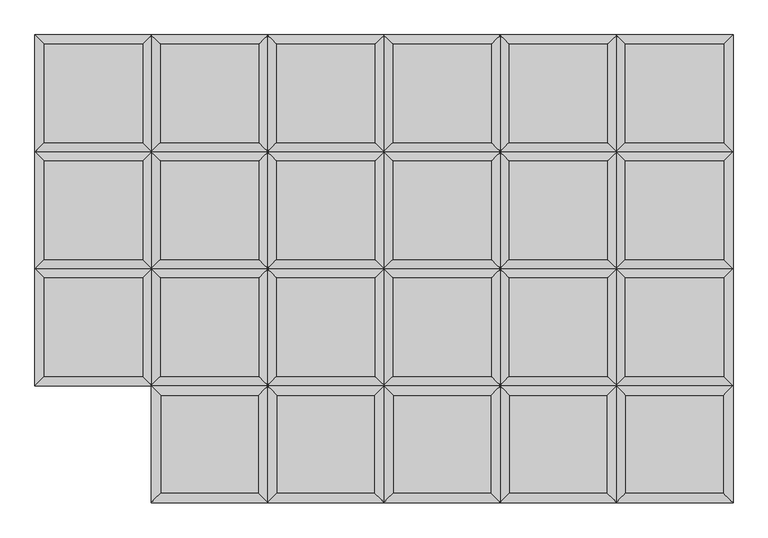
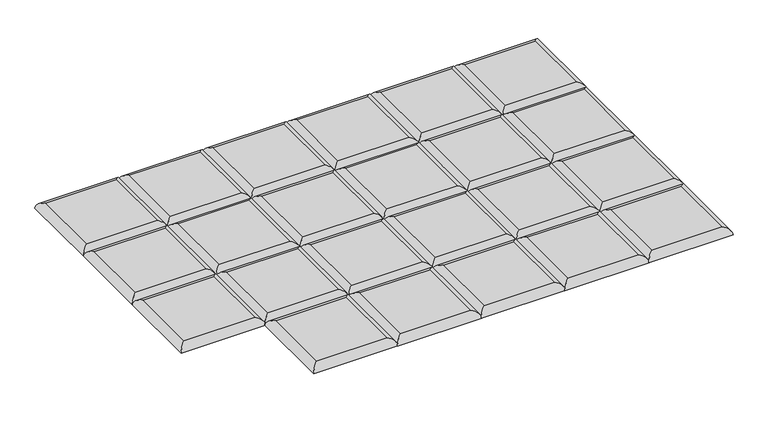
"""IFC4 building model written with IfcOpenShell, lengths in millimetres: furniture geometry."""

from ifc_helpers import new_model, si_unit, frame, origin, place, context, project, spatial, ellipse_curve, source, transform, mapped, element, save
from ifc_brep_helpers import plane_surface, cylinder_surface, advanced_brep


def furniture_b75a892f(model_context):
    return source(origin(), model_context, "Body", "AdvancedBrep", [
        advanced_brep(
        [(755.1519878, -204.2894878, 411.6605122), (755.1519878, -17.9605122, 411.6605122), (568.8230122, -17.9605122, 411.6605122), (568.8230122, -204.2894878, 411.6605122), (773.1125, 0.0, 393.7), (773.1125, -222.25, 393.7), (550.8625, -222.25, 393.7), (550.8625, 0.0, 393.7)],
        [
            (0, 1),
            (1, 2),
            (2, 3),
            (3, 0),
            (4, 5),
            (5, 6),
            (6, 7),
            (7, 4),
            (4, 1, ellipse_curve(frame((755.1519878, -17.9605122, 393.7), z_axis=(0.7071067811865475, -0.7071067811865475, 0.0), x_axis=(0.7071067811865474, 0.7071067811865476, 0.0)), 25.4, 17.9605122)),
            (0, 5, ellipse_curve(frame((755.1519878, -204.2894878, 393.7), z_axis=(0.7071067811865475, 0.7071067811865475, 0.0), x_axis=(-0.7071067811865474, 0.7071067811865476, 0.0)), 25.4, 17.9605122)),
            (3, 6, ellipse_curve(frame((568.8230122, -204.2894878, 393.7), z_axis=(0.7071067811865475, -0.7071067811865475, 0.0), x_axis=(0.7071067811865476, 0.7071067811865474, 0.0)), 25.4, 17.9605122)),
            (2, 7, ellipse_curve(frame((568.8230122, -17.9605122, 393.7), z_axis=(-0.7071067811865475, -0.7071067811865475, 0.0), x_axis=(0.7071067811865474, -0.7071067811865476, 0.0)), 25.4, 17.9605122)),
        ],
        [
            plane_surface(frame((568.8230122, -17.9605122, 411.6605122), z_axis=(0.0, 0.0, 1.0), x_axis=(-1.0, 0.0, 0.0))),
            plane_surface(frame((568.8230122, -17.9605122, 393.7), z_axis=(0.0, 0.0, -1.0), x_axis=(1.0, 0.0, 0.0))),
            cylinder_surface(frame((755.1519878, 0.0, 393.7), z_axis=(0.0, 1.0, 0.0), x_axis=(1.0, 0.0, 0.0)), 17.9605122),
            cylinder_surface(frame((773.1125, -204.2894878, 393.7), z_axis=(1.0, 0.0, 0.0), x_axis=(0.0, -1.0, 0.0)), 17.9605122),
            cylinder_surface(frame((568.8230122, -222.25, 393.7), z_axis=(0.0, -1.0, 0.0), x_axis=(-1.0, 0.0, 0.0)), 17.9605122),
            cylinder_surface(frame((550.8625, -17.9605122, 393.7), z_axis=(-1.0, 0.0, 0.0), x_axis=(0.0, 1.0, 0.0)), 17.9605122),
        ],
        [
            (0, [[1, 2, 3, 4]]),
            (1, [[5, 6, 7, 8]]),
            (2, [[9, -1, 10, -5]]),
            (3, [[-10, -4, 11, -6]]),
            (4, [[-11, -3, 12, -7]]),
            (5, [[-9, -8, -12, -2]]),
        ],
    ),
        advanced_brep(
        [(755.1519878, 17.9605122, 411.6605122), (755.1519878, 204.2894878, 411.6605122), (568.8230122, 204.2894878, 411.6605122), (568.8230122, 17.9605122, 411.6605122), (773.1125, 222.25, 393.7), (773.1125, 0.0, 393.7), (550.8625, 0.0, 393.7), (550.8625, 222.25, 393.7)],
        [
            (0, 1),
            (1, 2),
            (2, 3),
            (3, 0),
            (4, 5),
            (5, 6),
            (6, 7),
            (7, 4),
            (4, 1, ellipse_curve(frame((755.1519878, 204.2894878, 393.7), z_axis=(0.7071067811865475, -0.7071067811865475, 0.0), x_axis=(0.7071067811865474, 0.7071067811865476, 0.0)), 25.4, 17.9605122)),
            (0, 5, ellipse_curve(frame((755.1519878, 17.9605122, 393.7), z_axis=(0.7071067811865475, 0.7071067811865475, 0.0), x_axis=(-0.7071067811865474, 0.7071067811865476, 0.0)), 25.4, 17.9605122)),
            (3, 6, ellipse_curve(frame((568.8230122, 17.9605122, 393.7), z_axis=(0.7071067811865475, -0.7071067811865475, 0.0), x_axis=(0.7071067811865476, 0.7071067811865474, 0.0)), 25.4, 17.9605122)),
            (2, 7, ellipse_curve(frame((568.8230122, 204.2894878, 393.7), z_axis=(-0.7071067811865475, -0.7071067811865475, 0.0), x_axis=(0.7071067811865474, -0.7071067811865476, 0.0)), 25.4, 17.9605122)),
        ],
        [
            plane_surface(frame((568.8230122, 204.2894878, 411.6605122), z_axis=(0.0, 0.0, 1.0), x_axis=(-1.0, 0.0, 0.0))),
            plane_surface(frame((568.8230122, 204.2894878, 393.7), z_axis=(0.0, 0.0, -1.0), x_axis=(1.0, 0.0, 0.0))),
            cylinder_surface(frame((755.1519878, 222.25, 393.7), z_axis=(0.0, 1.0, 0.0), x_axis=(1.0, 0.0, 0.0)), 17.9605122),
            cylinder_surface(frame((773.1125, 17.9605122, 393.7), z_axis=(1.0, 0.0, 0.0), x_axis=(0.0, -1.0, 0.0)), 17.9605122),
            cylinder_surface(frame((568.8230122, 0.0, 393.7), z_axis=(0.0, -1.0, 0.0), x_axis=(-1.0, 0.0, 0.0)), 17.9605122),
            cylinder_surface(frame((550.8625, 204.2894878, 393.7), z_axis=(-1.0, 0.0, 0.0), x_axis=(0.0, 1.0, 0.0)), 17.9605122),
        ],
        [
            (0, [[1, 2, 3, 4]]),
            (1, [[5, 6, 7, 8]]),
            (2, [[9, -1, 10, -5]]),
            (3, [[-10, -4, 11, -6]]),
            (4, [[-11, -3, 12, -7]]),
            (5, [[-9, -8, -12, -2]]),
        ],
    ),
        advanced_brep(
        [(755.1519878, 240.2105122, 411.6605122), (755.1519878, 426.5394878, 411.6605122), (568.8230122, 426.5394878, 411.6605122), (568.8230122, 240.2105122, 411.6605122), (773.1125, 444.5, 393.7), (773.1125, 222.25, 393.7), (550.8625, 222.25, 393.7), (550.8625, 444.5, 393.7)],
        [
            (0, 1),
            (1, 2),
            (2, 3),
            (3, 0),
            (4, 5),
            (5, 6),
            (6, 7),
            (7, 4),
            (4, 1, ellipse_curve(frame((755.1519878, 426.5394878, 393.7), z_axis=(0.7071067811865475, -0.7071067811865475, 0.0), x_axis=(0.7071067811865474, 0.7071067811865476, 0.0)), 25.4, 17.9605122)),
            (0, 5, ellipse_curve(frame((755.1519878, 240.2105122, 393.7), z_axis=(0.7071067811865475, 0.7071067811865475, 0.0), x_axis=(-0.7071067811865474, 0.7071067811865476, 0.0)), 25.4, 17.9605122)),
            (3, 6, ellipse_curve(frame((568.8230122, 240.2105122, 393.7), z_axis=(0.7071067811865475, -0.7071067811865475, 0.0), x_axis=(0.7071067811865476, 0.7071067811865474, 0.0)), 25.4, 17.9605122)),
            (2, 7, ellipse_curve(frame((568.8230122, 426.5394878, 393.7), z_axis=(-0.7071067811865475, -0.7071067811865475, 0.0), x_axis=(0.7071067811865474, -0.7071067811865476, 0.0)), 25.4, 17.9605122)),
        ],
        [
            plane_surface(frame((568.8230122, 426.5394878, 411.6605122), z_axis=(0.0, 0.0, 1.0), x_axis=(-1.0, 0.0, 0.0))),
            plane_surface(frame((568.8230122, 426.5394878, 393.7), z_axis=(0.0, 0.0, -1.0), x_axis=(1.0, 0.0, 0.0))),
            cylinder_surface(frame((755.1519878, 444.5, 393.7), z_axis=(0.0, 1.0, 0.0), x_axis=(1.0, 0.0, 0.0)), 17.9605122),
            cylinder_surface(frame((773.1125, 240.2105122, 393.7), z_axis=(1.0, 0.0, 0.0), x_axis=(0.0, -1.0, 0.0)), 17.9605122),
            cylinder_surface(frame((568.8230122, 222.25, 393.7), z_axis=(0.0, -1.0, 0.0), x_axis=(-1.0, 0.0, 0.0)), 17.9605122),
            cylinder_surface(frame((550.8625, 426.5394878, 393.7), z_axis=(-1.0, 0.0, 0.0), x_axis=(0.0, 1.0, 0.0)), 17.9605122),
        ],
        [
            (0, [[1, 2, 3, 4]]),
            (1, [[5, 6, 7, 8]]),
            (2, [[9, -1, 10, -5]]),
            (3, [[-10, -4, 11, -6]]),
            (4, [[-11, -3, 12, -7]]),
            (5, [[-9, -8, -12, -2]]),
        ],
    ),
        advanced_brep(
        [(773.1125, -222.25, 393.7), (755.1519878, -240.2105122, 411.6605122), (755.1519878, -426.5394878, 411.6605122), (773.1125, -444.5, 393.7), (568.8230122, -426.5394878, 411.6605122), (550.8625, -444.5, 393.7), (568.8230122, -240.2105122, 411.6605122), (550.8625, -222.25, 393.7)],
        [
            (0, 1, ellipse_curve(frame((755.1519878, -240.2105122, 393.7), z_axis=(0.7071067811865475, -0.7071067811865475, 0.0), x_axis=(0.7071067811865474, 0.7071067811865476, 0.0)), 25.4, 17.9605122)),
            (1, 2),
            (2, 3, ellipse_curve(frame((755.1519878, -426.5394878, 393.7), z_axis=(0.7071067811865475, 0.7071067811865475, 0.0), x_axis=(-0.7071067811865474, 0.7071067811865476, 0.0)), 25.4, 17.9605122)),
            (3, 0),
            (2, 4),
            (4, 5, ellipse_curve(frame((568.8230122, -426.5394878, 393.7), z_axis=(0.7071067811865475, -0.7071067811865475, 0.0), x_axis=(0.7071067811865476, 0.7071067811865474, 0.0)), 25.4, 17.9605122)),
            (5, 3),
            (4, 6),
            (6, 7, ellipse_curve(frame((568.8230122, -240.2105122, 393.7), z_axis=(-0.7071067811865475, -0.7071067811865475, 0.0), x_axis=(0.7071067811865474, -0.7071067811865476, 0.0)), 25.4, 17.9605122)),
            (7, 5),
            (0, 7),
            (6, 1),
        ],
        [
            cylinder_surface(frame((755.1519878, -222.25, 393.7), z_axis=(0.0, 1.0, 0.0), x_axis=(1.0, 0.0, 0.0)), 17.9605122),
            cylinder_surface(frame((773.1125, -426.5394878, 393.7), z_axis=(1.0, 0.0, 0.0), x_axis=(0.0, -1.0, 0.0)), 17.9605122),
            cylinder_surface(frame((568.8230122, -444.5, 393.7), z_axis=(0.0, -1.0, 0.0), x_axis=(-1.0, 0.0, 0.0)), 17.9605122),
            cylinder_surface(frame((550.8625, -240.2105122, 393.7), z_axis=(-1.0, 0.0, 0.0), x_axis=(0.0, 1.0, 0.0)), 17.9605122),
            plane_surface(frame((550.8625, -222.25, 393.7), z_axis=(0.0, 0.0, -1.0), x_axis=(1.0, 0.0, 0.0))),
            plane_surface(frame((568.8230122, -240.2105122, 411.6605122), z_axis=(0.0, 0.0, 1.0), x_axis=(-1.0, 0.0, 0.0))),
        ],
        [
            (0, [[1, 2, 3, 4]]),
            (1, [[-3, 5, 6, 7]]),
            (2, [[-6, 8, 9, 10]]),
            (3, [[-1, 11, -9, 12]]),
            (4, [[-4, -7, -10, -11]]),
            (5, [[-2, -12, -8, -5]]),
        ],
    ),
        advanced_brep(
        [(534.4894878, -204.2894878, 411.6605122), (534.4894878, -17.9605122, 411.6605122), (348.1605122, -17.9605122, 411.6605122), (348.1605122, -204.2894878, 411.6605122), (552.45, 0.0, 393.7), (552.45, -222.25, 393.7), (330.2, -222.25, 393.7), (330.2, 0.0, 393.7)],
        [
            (0, 1),
            (1, 2),
            (2, 3),
            (3, 0),
            (4, 5),
            (5, 6),
            (6, 7),
            (7, 4),
            (4, 1, ellipse_curve(frame((534.4894878, -17.9605122, 393.7), z_axis=(0.7071067811865475, -0.7071067811865475, 0.0), x_axis=(0.7071067811865474, 0.7071067811865476, 0.0)), 25.4, 17.9605122)),
            (0, 5, ellipse_curve(frame((534.4894878, -204.2894878, 393.7), z_axis=(0.7071067811865475, 0.7071067811865475, 0.0), x_axis=(-0.7071067811865474, 0.7071067811865476, 0.0)), 25.4, 17.9605122)),
            (3, 6, ellipse_curve(frame((348.1605122, -204.2894878, 393.7), z_axis=(0.7071067811865475, -0.7071067811865475, 0.0), x_axis=(0.7071067811865476, 0.7071067811865474, 0.0)), 25.4, 17.9605122)),
            (2, 7, ellipse_curve(frame((348.1605122, -17.9605122, 393.7), z_axis=(-0.7071067811865475, -0.7071067811865475, 0.0), x_axis=(0.7071067811865474, -0.7071067811865476, 0.0)), 25.4, 17.9605122)),
        ],
        [
            plane_surface(frame((348.1605122, -17.9605122, 411.6605122), z_axis=(0.0, 0.0, 1.0), x_axis=(-1.0, 0.0, 0.0))),
            plane_surface(frame((348.1605122, -17.9605122, 393.7), z_axis=(0.0, 0.0, -1.0), x_axis=(1.0, 0.0, 0.0))),
            cylinder_surface(frame((534.4894878, 0.0, 393.7), z_axis=(0.0, 1.0, 0.0), x_axis=(1.0, 0.0, 0.0)), 17.9605122),
            cylinder_surface(frame((552.45, -204.2894878, 393.7), z_axis=(1.0, 0.0, 0.0), x_axis=(0.0, -1.0, 0.0)), 17.9605122),
            cylinder_surface(frame((348.1605122, -222.25, 393.7), z_axis=(0.0, -1.0, 0.0), x_axis=(-1.0, 0.0, 0.0)), 17.9605122),
            cylinder_surface(frame((330.2, -17.9605122, 393.7), z_axis=(-1.0, 0.0, 0.0), x_axis=(0.0, 1.0, 0.0)), 17.9605122),
        ],
        [
            (0, [[1, 2, 3, 4]]),
            (1, [[5, 6, 7, 8]]),
            (2, [[9, -1, 10, -5]]),
            (3, [[-10, -4, 11, -6]]),
            (4, [[-11, -3, 12, -7]]),
            (5, [[-9, -8, -12, -2]]),
        ],
    ),
        advanced_brep(
        [(534.4894878, 17.9605122, 411.6605122), (534.4894878, 204.2894878, 411.6605122), (348.1605122, 204.2894878, 411.6605122), (348.1605122, 17.9605122, 411.6605122), (552.45, 222.25, 393.7), (552.45, 0.0, 393.7), (330.2, 0.0, 393.7), (330.2, 222.25, 393.7)],
        [
            (0, 1),
            (1, 2),
            (2, 3),
            (3, 0),
            (4, 5),
            (5, 6),
            (6, 7),
            (7, 4),
            (4, 1, ellipse_curve(frame((534.4894878, 204.2894878, 393.7), z_axis=(0.7071067811865475, -0.7071067811865475, 0.0), x_axis=(0.7071067811865474, 0.7071067811865476, 0.0)), 25.4, 17.9605122)),
            (0, 5, ellipse_curve(frame((534.4894878, 17.9605122, 393.7), z_axis=(0.7071067811865475, 0.7071067811865475, 0.0), x_axis=(-0.7071067811865474, 0.7071067811865476, 0.0)), 25.4, 17.9605122)),
            (3, 6, ellipse_curve(frame((348.1605122, 17.9605122, 393.7), z_axis=(0.7071067811865475, -0.7071067811865475, 0.0), x_axis=(0.7071067811865476, 0.7071067811865474, 0.0)), 25.4, 17.9605122)),
            (2, 7, ellipse_curve(frame((348.1605122, 204.2894878, 393.7), z_axis=(-0.7071067811865475, -0.7071067811865475, 0.0), x_axis=(0.7071067811865474, -0.7071067811865476, 0.0)), 25.4, 17.9605122)),
        ],
        [
            plane_surface(frame((348.1605122, 204.2894878, 411.6605122), z_axis=(0.0, 0.0, 1.0), x_axis=(-1.0, 0.0, 0.0))),
            plane_surface(frame((348.1605122, 204.2894878, 393.7), z_axis=(0.0, 0.0, -1.0), x_axis=(1.0, 0.0, 0.0))),
            cylinder_surface(frame((534.4894878, 222.25, 393.7), z_axis=(0.0, 1.0, 0.0), x_axis=(1.0, 0.0, 0.0)), 17.9605122),
            cylinder_surface(frame((552.45, 17.9605122, 393.7), z_axis=(1.0, 0.0, 0.0), x_axis=(0.0, -1.0, 0.0)), 17.9605122),
            cylinder_surface(frame((348.1605122, 0.0, 393.7), z_axis=(0.0, -1.0, 0.0), x_axis=(-1.0, 0.0, 0.0)), 17.9605122),
            cylinder_surface(frame((330.2, 204.2894878, 393.7), z_axis=(-1.0, 0.0, 0.0), x_axis=(0.0, 1.0, 0.0)), 17.9605122),
        ],
        [
            (0, [[1, 2, 3, 4]]),
            (1, [[5, 6, 7, 8]]),
            (2, [[9, -1, 10, -5]]),
            (3, [[-10, -4, 11, -6]]),
            (4, [[-11, -3, 12, -7]]),
            (5, [[-9, -8, -12, -2]]),
        ],
    ),
        advanced_brep(
        [(534.4894878, 240.2105122, 411.6605122), (534.4894878, 426.5394878, 411.6605122), (348.1605122, 426.5394878, 411.6605122), (348.1605122, 240.2105122, 411.6605122), (552.45, 444.5, 393.7), (552.45, 222.25, 393.7), (330.2, 222.25, 393.7), (330.2, 444.5, 393.7)],
        [
            (0, 1),
            (1, 2),
            (2, 3),
            (3, 0),
            (4, 5),
            (5, 6),
            (6, 7),
            (7, 4),
            (4, 1, ellipse_curve(frame((534.4894878, 426.5394878, 393.7), z_axis=(0.7071067811865475, -0.7071067811865475, 0.0), x_axis=(0.7071067811865474, 0.7071067811865476, 0.0)), 25.4, 17.9605122)),
            (0, 5, ellipse_curve(frame((534.4894878, 240.2105122, 393.7), z_axis=(0.7071067811865475, 0.7071067811865475, 0.0), x_axis=(-0.7071067811865474, 0.7071067811865476, 0.0)), 25.4, 17.9605122)),
            (3, 6, ellipse_curve(frame((348.1605122, 240.2105122, 393.7), z_axis=(0.7071067811865475, -0.7071067811865475, 0.0), x_axis=(0.7071067811865476, 0.7071067811865474, 0.0)), 25.4, 17.9605122)),
            (2, 7, ellipse_curve(frame((348.1605122, 426.5394878, 393.7), z_axis=(-0.7071067811865475, -0.7071067811865475, 0.0), x_axis=(0.7071067811865474, -0.7071067811865476, 0.0)), 25.4, 17.9605122)),
        ],
        [
            plane_surface(frame((348.1605122, 426.5394878, 411.6605122), z_axis=(0.0, 0.0, 1.0), x_axis=(-1.0, 0.0, 0.0))),
            plane_surface(frame((348.1605122, 426.5394878, 393.7), z_axis=(0.0, 0.0, -1.0), x_axis=(1.0, 0.0, 0.0))),
            cylinder_surface(frame((534.4894878, 444.5, 393.7), z_axis=(0.0, 1.0, 0.0), x_axis=(1.0, 0.0, 0.0)), 17.9605122),
            cylinder_surface(frame((552.45, 240.2105122, 393.7), z_axis=(1.0, 0.0, 0.0), x_axis=(0.0, -1.0, 0.0)), 17.9605122),
            cylinder_surface(frame((348.1605122, 222.25, 393.7), z_axis=(0.0, -1.0, 0.0), x_axis=(-1.0, 0.0, 0.0)), 17.9605122),
            cylinder_surface(frame((330.2, 426.5394878, 393.7), z_axis=(-1.0, 0.0, 0.0), x_axis=(0.0, 1.0, 0.0)), 17.9605122),
        ],
        [
            (0, [[1, 2, 3, 4]]),
            (1, [[5, 6, 7, 8]]),
            (2, [[9, -1, 10, -5]]),
            (3, [[-10, -4, 11, -6]]),
            (4, [[-11, -3, 12, -7]]),
            (5, [[-9, -8, -12, -2]]),
        ],
    ),
        advanced_brep(
        [(552.45, -222.25, 393.7), (534.4894878, -240.2105122, 411.6605122), (534.4894878, -426.5394878, 411.6605122), (552.45, -444.5, 393.7), (348.1605122, -426.5394878, 411.6605122), (330.2, -444.5, 393.7), (348.1605122, -240.2105122, 411.6605122), (330.2, -222.25, 393.7)],
        [
            (0, 1, ellipse_curve(frame((534.4894878, -240.2105122, 393.7), z_axis=(0.7071067811865475, -0.7071067811865475, 0.0), x_axis=(0.7071067811865474, 0.7071067811865476, 0.0)), 25.4, 17.9605122)),
            (1, 2),
            (2, 3, ellipse_curve(frame((534.4894878, -426.5394878, 393.7), z_axis=(0.7071067811865475, 0.7071067811865475, 0.0), x_axis=(-0.7071067811865474, 0.7071067811865476, 0.0)), 25.4, 17.9605122)),
            (3, 0),
            (2, 4),
            (4, 5, ellipse_curve(frame((348.1605122, -426.5394878, 393.7), z_axis=(0.7071067811865475, -0.7071067811865475, 0.0), x_axis=(0.7071067811865476, 0.7071067811865474, 0.0)), 25.4, 17.9605122)),
            (5, 3),
            (4, 6),
            (6, 7, ellipse_curve(frame((348.1605122, -240.2105122, 393.7), z_axis=(-0.7071067811865475, -0.7071067811865475, 0.0), x_axis=(0.7071067811865474, -0.7071067811865476, 0.0)), 25.4, 17.9605122)),
            (7, 5),
            (0, 7),
            (6, 1),
        ],
        [
            cylinder_surface(frame((534.4894878, -222.25, 393.7), z_axis=(0.0, 1.0, 0.0), x_axis=(1.0, 0.0, 0.0)), 17.9605122),
            cylinder_surface(frame((552.45, -426.5394878, 393.7), z_axis=(1.0, 0.0, 0.0), x_axis=(0.0, -1.0, 0.0)), 17.9605122),
            cylinder_surface(frame((348.1605122, -444.5, 393.7), z_axis=(0.0, -1.0, 0.0), x_axis=(-1.0, 0.0, 0.0)), 17.9605122),
            cylinder_surface(frame((330.2, -240.2105122, 393.7), z_axis=(-1.0, 0.0, 0.0), x_axis=(0.0, 1.0, 0.0)), 17.9605122),
            plane_surface(frame((330.2, -222.25, 393.7), z_axis=(0.0, 0.0, -1.0), x_axis=(1.0, 0.0, 0.0))),
            plane_surface(frame((348.1605122, -240.2105122, 411.6605122), z_axis=(0.0, 0.0, 1.0), x_axis=(-1.0, 0.0, 0.0))),
        ],
        [
            (0, [[1, 2, 3, 4]]),
            (1, [[-3, 5, 6, 7]]),
            (2, [[-6, 8, 9, 10]]),
            (3, [[-1, 11, -9, 12]]),
            (4, [[-4, -7, -10, -11]]),
            (5, [[-2, -12, -8, -5]]),
        ],
    ),
        advanced_brep(
        [(313.8269878, -204.2894878, 411.6605122), (313.8269878, -17.9605122, 411.6605122), (127.4980122, -17.9605122, 411.6605122), (127.4980122, -204.2894878, 411.6605122), (331.7875, 0.0, 393.7), (331.7875, -222.25, 393.7), (109.5375, -222.25, 393.7), (109.5375, 0.0, 393.7)],
        [
            (0, 1),
            (1, 2),
            (2, 3),
            (3, 0),
            (4, 5),
            (5, 6),
            (6, 7),
            (7, 4),
            (4, 1, ellipse_curve(frame((313.8269878, -17.9605122, 393.7), z_axis=(0.7071067811865475, -0.7071067811865475, 0.0), x_axis=(0.7071067811865474, 0.7071067811865476, 0.0)), 25.4, 17.9605122)),
            (0, 5, ellipse_curve(frame((313.8269878, -204.2894878, 393.7), z_axis=(0.7071067811865475, 0.7071067811865475, 0.0), x_axis=(-0.7071067811865474, 0.7071067811865476, 0.0)), 25.4, 17.9605122)),
            (3, 6, ellipse_curve(frame((127.4980122, -204.2894878, 393.7), z_axis=(0.7071067811865475, -0.7071067811865475, 0.0), x_axis=(0.7071067811865476, 0.7071067811865474, 0.0)), 25.4, 17.9605122)),
            (2, 7, ellipse_curve(frame((127.4980122, -17.9605122, 393.7), z_axis=(-0.7071067811865475, -0.7071067811865475, 0.0), x_axis=(0.7071067811865474, -0.7071067811865476, 0.0)), 25.4, 17.9605122)),
        ],
        [
            plane_surface(frame((127.4980122, -17.9605122, 411.6605122), z_axis=(0.0, 0.0, 1.0), x_axis=(-1.0, 0.0, 0.0))),
            plane_surface(frame((127.4980122, -17.9605122, 393.7), z_axis=(0.0, 0.0, -1.0), x_axis=(1.0, 0.0, 0.0))),
            cylinder_surface(frame((313.8269878, 0.0, 393.7), z_axis=(0.0, 1.0, 0.0), x_axis=(1.0, 0.0, 0.0)), 17.9605122),
            cylinder_surface(frame((331.7875, -204.2894878, 393.7), z_axis=(1.0, 0.0, 0.0), x_axis=(0.0, -1.0, 0.0)), 17.9605122),
            cylinder_surface(frame((127.4980122, -222.25, 393.7), z_axis=(0.0, -1.0, 0.0), x_axis=(-1.0, 0.0, 0.0)), 17.9605122),
            cylinder_surface(frame((109.5375, -17.9605122, 393.7), z_axis=(-1.0, 0.0, 0.0), x_axis=(0.0, 1.0, 0.0)), 17.9605122),
        ],
        [
            (0, [[1, 2, 3, 4]]),
            (1, [[5, 6, 7, 8]]),
            (2, [[9, -1, 10, -5]]),
            (3, [[-10, -4, 11, -6]]),
            (4, [[-11, -3, 12, -7]]),
            (5, [[-9, -8, -12, -2]]),
        ],
    ),
        advanced_brep(
        [(313.8269878, 17.9605122, 411.6605122), (313.8269878, 204.2894878, 411.6605122), (127.4980122, 204.2894878, 411.6605122), (127.4980122, 17.9605122, 411.6605122), (331.7875, 222.25, 393.7), (331.7875, 0.0, 393.7), (109.5375, 0.0, 393.7), (109.5375, 222.25, 393.7)],
        [
            (0, 1),
            (1, 2),
            (2, 3),
            (3, 0),
            (4, 5),
            (5, 6),
            (6, 7),
            (7, 4),
            (4, 1, ellipse_curve(frame((313.8269878, 204.2894878, 393.7), z_axis=(0.7071067811865475, -0.7071067811865475, 0.0), x_axis=(0.7071067811865474, 0.7071067811865476, 0.0)), 25.4, 17.9605122)),
            (0, 5, ellipse_curve(frame((313.8269878, 17.9605122, 393.7), z_axis=(0.7071067811865475, 0.7071067811865475, 0.0), x_axis=(-0.7071067811865474, 0.7071067811865476, 0.0)), 25.4, 17.9605122)),
            (3, 6, ellipse_curve(frame((127.4980122, 17.9605122, 393.7), z_axis=(0.7071067811865475, -0.7071067811865475, 0.0), x_axis=(0.7071067811865476, 0.7071067811865474, 0.0)), 25.4, 17.9605122)),
            (2, 7, ellipse_curve(frame((127.4980122, 204.2894878, 393.7), z_axis=(-0.7071067811865475, -0.7071067811865475, 0.0), x_axis=(0.7071067811865474, -0.7071067811865476, 0.0)), 25.4, 17.9605122)),
        ],
        [
            plane_surface(frame((127.4980122, 204.2894878, 411.6605122), z_axis=(0.0, 0.0, 1.0), x_axis=(-1.0, 0.0, 0.0))),
            plane_surface(frame((127.4980122, 204.2894878, 393.7), z_axis=(0.0, 0.0, -1.0), x_axis=(1.0, 0.0, 0.0))),
            cylinder_surface(frame((313.8269878, 222.25, 393.7), z_axis=(0.0, 1.0, 0.0), x_axis=(1.0, 0.0, 0.0)), 17.9605122),
            cylinder_surface(frame((331.7875, 17.9605122, 393.7), z_axis=(1.0, 0.0, 0.0), x_axis=(0.0, -1.0, 0.0)), 17.9605122),
            cylinder_surface(frame((127.4980122, 0.0, 393.7), z_axis=(0.0, -1.0, 0.0), x_axis=(-1.0, 0.0, 0.0)), 17.9605122),
            cylinder_surface(frame((109.5375, 204.2894878, 393.7), z_axis=(-1.0, 0.0, 0.0), x_axis=(0.0, 1.0, 0.0)), 17.9605122),
        ],
        [
            (0, [[1, 2, 3, 4]]),
            (1, [[5, 6, 7, 8]]),
            (2, [[9, -1, 10, -5]]),
            (3, [[-10, -4, 11, -6]]),
            (4, [[-11, -3, 12, -7]]),
            (5, [[-9, -8, -12, -2]]),
        ],
    ),
        advanced_brep(
        [(313.8269878, 240.2105122, 411.6605122), (313.8269878, 426.5394878, 411.6605122), (127.4980122, 426.5394878, 411.6605122), (127.4980122, 240.2105122, 411.6605122), (331.7875, 444.5, 393.7), (331.7875, 222.25, 393.7), (109.5375, 222.25, 393.7), (109.5375, 444.5, 393.7)],
        [
            (0, 1),
            (1, 2),
            (2, 3),
            (3, 0),
            (4, 5),
            (5, 6),
            (6, 7),
            (7, 4),
            (4, 1, ellipse_curve(frame((313.8269878, 426.5394878, 393.7), z_axis=(0.7071067811865475, -0.7071067811865475, 0.0), x_axis=(0.7071067811865474, 0.7071067811865476, 0.0)), 25.4, 17.9605122)),
            (0, 5, ellipse_curve(frame((313.8269878, 240.2105122, 393.7), z_axis=(0.7071067811865475, 0.7071067811865475, 0.0), x_axis=(-0.7071067811865474, 0.7071067811865476, 0.0)), 25.4, 17.9605122)),
            (3, 6, ellipse_curve(frame((127.4980122, 240.2105122, 393.7), z_axis=(0.7071067811865475, -0.7071067811865475, 0.0), x_axis=(0.7071067811865476, 0.7071067811865474, 0.0)), 25.4, 17.9605122)),
            (2, 7, ellipse_curve(frame((127.4980122, 426.5394878, 393.7), z_axis=(-0.7071067811865475, -0.7071067811865475, 0.0), x_axis=(0.7071067811865474, -0.7071067811865476, 0.0)), 25.4, 17.9605122)),
        ],
        [
            plane_surface(frame((127.4980122, 426.5394878, 411.6605122), z_axis=(0.0, 0.0, 1.0), x_axis=(-1.0, 0.0, 0.0))),
            plane_surface(frame((127.4980122, 426.5394878, 393.7), z_axis=(0.0, 0.0, -1.0), x_axis=(1.0, 0.0, 0.0))),
            cylinder_surface(frame((313.8269878, 444.5, 393.7), z_axis=(0.0, 1.0, 0.0), x_axis=(1.0, 0.0, 0.0)), 17.9605122),
            cylinder_surface(frame((331.7875, 240.2105122, 393.7), z_axis=(1.0, 0.0, 0.0), x_axis=(0.0, -1.0, 0.0)), 17.9605122),
            cylinder_surface(frame((127.4980122, 222.25, 393.7), z_axis=(0.0, -1.0, 0.0), x_axis=(-1.0, 0.0, 0.0)), 17.9605122),
            cylinder_surface(frame((109.5375, 426.5394878, 393.7), z_axis=(-1.0, 0.0, 0.0), x_axis=(0.0, 1.0, 0.0)), 17.9605122),
        ],
        [
            (0, [[1, 2, 3, 4]]),
            (1, [[5, 6, 7, 8]]),
            (2, [[9, -1, 10, -5]]),
            (3, [[-10, -4, 11, -6]]),
            (4, [[-11, -3, 12, -7]]),
            (5, [[-9, -8, -12, -2]]),
        ],
    ),
        advanced_brep(
        [(331.7875, -222.25, 393.7), (313.8269878, -240.2105122, 411.6605122), (313.8269878, -426.5394878, 411.6605122), (331.7875, -444.5, 393.7), (127.4980122, -426.5394878, 411.6605122), (109.5375, -444.5, 393.7), (127.4980122, -240.2105122, 411.6605122), (109.5375, -222.25, 393.7)],
        [
            (0, 1, ellipse_curve(frame((313.8269878, -240.2105122, 393.7), z_axis=(0.7071067811865475, -0.7071067811865475, 0.0), x_axis=(0.7071067811865474, 0.7071067811865476, 0.0)), 25.4, 17.9605122)),
            (1, 2),
            (2, 3, ellipse_curve(frame((313.8269878, -426.5394878, 393.7), z_axis=(0.7071067811865475, 0.7071067811865475, 0.0), x_axis=(-0.7071067811865474, 0.7071067811865476, 0.0)), 25.4, 17.9605122)),
            (3, 0),
            (2, 4),
            (4, 5, ellipse_curve(frame((127.4980122, -426.5394878, 393.7), z_axis=(0.7071067811865475, -0.7071067811865475, 0.0), x_axis=(0.7071067811865476, 0.7071067811865474, 0.0)), 25.4, 17.9605122)),
            (5, 3),
            (4, 6),
            (6, 7, ellipse_curve(frame((127.4980122, -240.2105122, 393.7), z_axis=(-0.7071067811865475, -0.7071067811865475, 0.0), x_axis=(0.7071067811865474, -0.7071067811865476, 0.0)), 25.4, 17.9605122)),
            (7, 5),
            (0, 7),
            (6, 1),
        ],
        [
            cylinder_surface(frame((313.8269878, -222.25, 393.7), z_axis=(0.0, 1.0, 0.0), x_axis=(1.0, 0.0, 0.0)), 17.9605122),
            cylinder_surface(frame((331.7875, -426.5394878, 393.7), z_axis=(1.0, 0.0, 0.0), x_axis=(0.0, -1.0, 0.0)), 17.9605122),
            cylinder_surface(frame((127.4980122, -444.5, 393.7), z_axis=(0.0, -1.0, 0.0), x_axis=(-1.0, 0.0, 0.0)), 17.9605122),
            cylinder_surface(frame((109.5375, -240.2105122, 393.7), z_axis=(-1.0, 0.0, 0.0), x_axis=(0.0, 1.0, 0.0)), 17.9605122),
            plane_surface(frame((109.5375, -222.25, 393.7), z_axis=(0.0, 0.0, -1.0), x_axis=(1.0, 0.0, 0.0))),
            plane_surface(frame((127.4980122, -240.2105122, 411.6605122), z_axis=(0.0, 0.0, 1.0), x_axis=(-1.0, 0.0, 0.0))),
        ],
        [
            (0, [[1, 2, 3, 4]]),
            (1, [[-3, 5, 6, 7]]),
            (2, [[-6, 8, 9, 10]]),
            (3, [[-1, 11, -9, 12]]),
            (4, [[-4, -7, -10, -11]]),
            (5, [[-2, -12, -8, -5]]),
        ],
    ),
        advanced_brep(
        [(93.1644878, -204.2894878, 411.6605122), (93.1644878, -17.9605122, 411.6605122), (-93.1644878, -17.9605122, 411.6605122), (-93.1644878, -204.2894878, 411.6605122), (111.125, 0.0, 393.7), (111.125, -222.25, 393.7), (-111.125, -222.25, 393.7), (-111.125, 0.0, 393.7)],
        [
            (0, 1),
            (1, 2),
            (2, 3),
            (3, 0),
            (4, 5),
            (5, 6),
            (6, 7),
            (7, 4),
            (4, 1, ellipse_curve(frame((93.1644878, -17.9605122, 393.7), z_axis=(0.7071067811865475, -0.7071067811865475, 0.0), x_axis=(0.7071067811865474, 0.7071067811865476, 0.0)), 25.4, 17.9605122)),
            (0, 5, ellipse_curve(frame((93.1644878, -204.2894878, 393.7), z_axis=(0.7071067811865475, 0.7071067811865475, 0.0), x_axis=(-0.7071067811865474, 0.7071067811865476, 0.0)), 25.4, 17.9605122)),
            (3, 6, ellipse_curve(frame((-93.1644878, -204.2894878, 393.7), z_axis=(0.7071067811865475, -0.7071067811865475, 0.0), x_axis=(0.7071067811865476, 0.7071067811865474, 0.0)), 25.4, 17.9605122)),
            (2, 7, ellipse_curve(frame((-93.1644878, -17.9605122, 393.7), z_axis=(-0.7071067811865475, -0.7071067811865475, 0.0), x_axis=(0.7071067811865474, -0.7071067811865476, 0.0)), 25.4, 17.9605122)),
        ],
        [
            plane_surface(frame((-93.1644878, -17.9605122, 411.6605122), z_axis=(0.0, 0.0, 1.0), x_axis=(-1.0, 0.0, 0.0))),
            plane_surface(frame((-93.1644878, -17.9605122, 393.7), z_axis=(0.0, 0.0, -1.0), x_axis=(1.0, 0.0, 0.0))),
            cylinder_surface(frame((93.1644878, 0.0, 393.7), z_axis=(0.0, 1.0, 0.0), x_axis=(1.0, 0.0, 0.0)), 17.9605122),
            cylinder_surface(frame((111.125, -204.2894878, 393.7), z_axis=(1.0, 0.0, 0.0), x_axis=(0.0, -1.0, 0.0)), 17.9605122),
            cylinder_surface(frame((-93.1644878, -222.25, 393.7), z_axis=(0.0, -1.0, 0.0), x_axis=(-1.0, 0.0, 0.0)), 17.9605122),
            cylinder_surface(frame((-111.125, -17.9605122, 393.7), z_axis=(-1.0, 0.0, 0.0), x_axis=(0.0, 1.0, 0.0)), 17.9605122),
        ],
        [
            (0, [[1, 2, 3, 4]]),
            (1, [[5, 6, 7, 8]]),
            (2, [[9, -1, 10, -5]]),
            (3, [[-10, -4, 11, -6]]),
            (4, [[-11, -3, 12, -7]]),
            (5, [[-9, -8, -12, -2]]),
        ],
    ),
        advanced_brep(
        [(93.1644878, 17.9605122, 411.6605122), (93.1644878, 204.2894878, 411.6605122), (-93.1644878, 204.2894878, 411.6605122), (-93.1644878, 17.9605122, 411.6605122), (111.125, 222.25, 393.7), (111.125, 0.0, 393.7), (-111.125, 0.0, 393.7), (-111.125, 222.25, 393.7)],
        [
            (0, 1),
            (1, 2),
            (2, 3),
            (3, 0),
            (4, 5),
            (5, 6),
            (6, 7),
            (7, 4),
            (4, 1, ellipse_curve(frame((93.1644878, 204.2894878, 393.7), z_axis=(0.7071067811865475, -0.7071067811865475, 0.0), x_axis=(0.7071067811865474, 0.7071067811865476, 0.0)), 25.4, 17.9605122)),
            (0, 5, ellipse_curve(frame((93.1644878, 17.9605122, 393.7), z_axis=(0.7071067811865475, 0.7071067811865475, 0.0), x_axis=(-0.7071067811865474, 0.7071067811865476, 0.0)), 25.4, 17.9605122)),
            (3, 6, ellipse_curve(frame((-93.1644878, 17.9605122, 393.7), z_axis=(0.7071067811865475, -0.7071067811865475, 0.0), x_axis=(0.7071067811865476, 0.7071067811865474, 0.0)), 25.4, 17.9605122)),
            (2, 7, ellipse_curve(frame((-93.1644878, 204.2894878, 393.7), z_axis=(-0.7071067811865475, -0.7071067811865475, 0.0), x_axis=(0.7071067811865474, -0.7071067811865476, 0.0)), 25.4, 17.9605122)),
        ],
        [
            plane_surface(frame((-93.1644878, 204.2894878, 411.6605122), z_axis=(0.0, 0.0, 1.0), x_axis=(-1.0, 0.0, 0.0))),
            plane_surface(frame((-93.1644878, 204.2894878, 393.7), z_axis=(0.0, 0.0, -1.0), x_axis=(1.0, 0.0, 0.0))),
            cylinder_surface(frame((93.1644878, 222.25, 393.7), z_axis=(0.0, 1.0, 0.0), x_axis=(1.0, 0.0, 0.0)), 17.9605122),
            cylinder_surface(frame((111.125, 17.9605122, 393.7), z_axis=(1.0, 0.0, 0.0), x_axis=(0.0, -1.0, 0.0)), 17.9605122),
            cylinder_surface(frame((-93.1644878, 0.0, 393.7), z_axis=(0.0, -1.0, 0.0), x_axis=(-1.0, 0.0, 0.0)), 17.9605122),
            cylinder_surface(frame((-111.125, 204.2894878, 393.7), z_axis=(-1.0, 0.0, 0.0), x_axis=(0.0, 1.0, 0.0)), 17.9605122),
        ],
        [
            (0, [[1, 2, 3, 4]]),
            (1, [[5, 6, 7, 8]]),
            (2, [[9, -1, 10, -5]]),
            (3, [[-10, -4, 11, -6]]),
            (4, [[-11, -3, 12, -7]]),
            (5, [[-9, -8, -12, -2]]),
        ],
    ),
        advanced_brep(
        [(93.1644878, 240.2105122, 411.6605122), (93.1644878, 426.5394878, 411.6605122), (-93.1644878, 426.5394878, 411.6605122), (-93.1644878, 240.2105122, 411.6605122), (111.125, 444.5, 393.7), (111.125, 222.25, 393.7), (-111.125, 222.25, 393.7), (-111.125, 444.5, 393.7)],
        [
            (0, 1),
            (1, 2),
            (2, 3),
            (3, 0),
            (4, 5),
            (5, 6),
            (6, 7),
            (7, 4),
            (4, 1, ellipse_curve(frame((93.1644878, 426.5394878, 393.7), z_axis=(0.7071067811865475, -0.7071067811865475, 0.0), x_axis=(0.7071067811865474, 0.7071067811865476, 0.0)), 25.4, 17.9605122)),
            (0, 5, ellipse_curve(frame((93.1644878, 240.2105122, 393.7), z_axis=(0.7071067811865475, 0.7071067811865475, 0.0), x_axis=(-0.7071067811865474, 0.7071067811865476, 0.0)), 25.4, 17.9605122)),
            (3, 6, ellipse_curve(frame((-93.1644878, 240.2105122, 393.7), z_axis=(0.7071067811865475, -0.7071067811865475, 0.0), x_axis=(0.7071067811865476, 0.7071067811865474, 0.0)), 25.4, 17.9605122)),
            (2, 7, ellipse_curve(frame((-93.1644878, 426.5394878, 393.7), z_axis=(-0.7071067811865475, -0.7071067811865475, 0.0), x_axis=(0.7071067811865474, -0.7071067811865476, 0.0)), 25.4, 17.9605122)),
        ],
        [
            plane_surface(frame((-93.1644878, 426.5394878, 411.6605122), z_axis=(0.0, 0.0, 1.0), x_axis=(-1.0, 0.0, 0.0))),
            plane_surface(frame((-93.1644878, 426.5394878, 393.7), z_axis=(0.0, 0.0, -1.0), x_axis=(1.0, 0.0, 0.0))),
            cylinder_surface(frame((93.1644878, 444.5, 393.7), z_axis=(0.0, 1.0, 0.0), x_axis=(1.0, 0.0, 0.0)), 17.9605122),
            cylinder_surface(frame((111.125, 240.2105122, 393.7), z_axis=(1.0, 0.0, 0.0), x_axis=(0.0, -1.0, 0.0)), 17.9605122),
            cylinder_surface(frame((-93.1644878, 222.25, 393.7), z_axis=(0.0, -1.0, 0.0), x_axis=(-1.0, 0.0, 0.0)), 17.9605122),
            cylinder_surface(frame((-111.125, 426.5394878, 393.7), z_axis=(-1.0, 0.0, 0.0), x_axis=(0.0, 1.0, 0.0)), 17.9605122),
        ],
        [
            (0, [[1, 2, 3, 4]]),
            (1, [[5, 6, 7, 8]]),
            (2, [[9, -1, 10, -5]]),
            (3, [[-10, -4, 11, -6]]),
            (4, [[-11, -3, 12, -7]]),
            (5, [[-9, -8, -12, -2]]),
        ],
    ),
        advanced_brep(
        [(111.125, -222.25, 393.7), (93.1644878, -240.2105122, 411.6605122), (93.1644878, -426.5394878, 411.6605122), (111.125, -444.5, 393.7), (-93.1644878, -426.5394878, 411.6605122), (-111.125, -444.5, 393.7), (-93.1644878, -240.2105122, 411.6605122), (-111.125, -222.25, 393.7)],
        [
            (0, 1, ellipse_curve(frame((93.1644878, -240.2105122, 393.7), z_axis=(0.7071067811865475, -0.7071067811865475, 0.0), x_axis=(0.7071067811865474, 0.7071067811865476, 0.0)), 25.4, 17.9605122)),
            (1, 2),
            (2, 3, ellipse_curve(frame((93.1644878, -426.5394878, 393.7), z_axis=(0.7071067811865475, 0.7071067811865475, 0.0), x_axis=(-0.7071067811865474, 0.7071067811865476, 0.0)), 25.4, 17.9605122)),
            (3, 0),
            (2, 4),
            (4, 5, ellipse_curve(frame((-93.1644878, -426.5394878, 393.7), z_axis=(0.7071067811865475, -0.7071067811865475, 0.0), x_axis=(0.7071067811865476, 0.7071067811865474, 0.0)), 25.4, 17.9605122)),
            (5, 3),
            (4, 6),
            (6, 7, ellipse_curve(frame((-93.1644878, -240.2105122, 393.7), z_axis=(-0.7071067811865475, -0.7071067811865475, 0.0), x_axis=(0.7071067811865474, -0.7071067811865476, 0.0)), 25.4, 17.9605122)),
            (7, 5),
            (0, 7),
            (6, 1),
        ],
        [
            cylinder_surface(frame((93.1644878, -222.25, 393.7), z_axis=(0.0, 1.0, 0.0), x_axis=(1.0, 0.0, 0.0)), 17.9605122),
            cylinder_surface(frame((111.125, -426.5394878, 393.7), z_axis=(1.0, 0.0, 0.0), x_axis=(0.0, -1.0, 0.0)), 17.9605122),
            cylinder_surface(frame((-93.1644878, -444.5, 393.7), z_axis=(0.0, -1.0, 0.0), x_axis=(-1.0, 0.0, 0.0)), 17.9605122),
            cylinder_surface(frame((-111.125, -240.2105122, 393.7), z_axis=(-1.0, 0.0, 0.0), x_axis=(0.0, 1.0, 0.0)), 17.9605122),
            plane_surface(frame((-111.125, -222.25, 393.7), z_axis=(0.0, 0.0, -1.0), x_axis=(1.0, 0.0, 0.0))),
            plane_surface(frame((-93.1644878, -240.2105122, 411.6605122), z_axis=(0.0, 0.0, 1.0), x_axis=(-1.0, 0.0, 0.0))),
        ],
        [
            (0, [[1, 2, 3, 4]]),
            (1, [[-3, 5, 6, 7]]),
            (2, [[-6, 8, 9, 10]]),
            (3, [[-1, 11, -9, 12]]),
            (4, [[-4, -7, -10, -11]]),
            (5, [[-2, -12, -8, -5]]),
        ],
    ),
        advanced_brep(
        [(-127.4980122, -204.2894878, 411.6605122), (-127.4980122, -17.9605122, 411.6605122), (-313.8269878, -17.9605122, 411.6605122), (-313.8269878, -204.2894878, 411.6605122), (-109.5375, 0.0, 393.7), (-109.5375, -222.25, 393.7), (-331.7875, -222.25, 393.7), (-331.7875, 0.0, 393.7)],
        [
            (0, 1),
            (1, 2),
            (2, 3),
            (3, 0),
            (4, 5),
            (5, 6),
            (6, 7),
            (7, 4),
            (4, 1, ellipse_curve(frame((-127.4980122, -17.9605122, 393.7), z_axis=(0.7071067811865475, -0.7071067811865475, 0.0), x_axis=(0.7071067811865474, 0.7071067811865476, 0.0)), 25.4, 17.9605122)),
            (0, 5, ellipse_curve(frame((-127.4980122, -204.2894878, 393.7), z_axis=(0.7071067811865475, 0.7071067811865475, 0.0), x_axis=(-0.7071067811865474, 0.7071067811865476, 0.0)), 25.4, 17.9605122)),
            (3, 6, ellipse_curve(frame((-313.8269878, -204.2894878, 393.7), z_axis=(0.7071067811865475, -0.7071067811865475, 0.0), x_axis=(0.7071067811865476, 0.7071067811865474, 0.0)), 25.4, 17.9605122)),
            (2, 7, ellipse_curve(frame((-313.8269878, -17.9605122, 393.7), z_axis=(-0.7071067811865475, -0.7071067811865475, 0.0), x_axis=(0.7071067811865474, -0.7071067811865476, 0.0)), 25.4, 17.9605122)),
        ],
        [
            plane_surface(frame((-313.8269878, -17.9605122, 411.6605122), z_axis=(0.0, 0.0, 1.0), x_axis=(-1.0, 0.0, 0.0))),
            plane_surface(frame((-313.8269878, -17.9605122, 393.7), z_axis=(0.0, 0.0, -1.0), x_axis=(1.0, 0.0, 0.0))),
            cylinder_surface(frame((-127.4980122, 0.0, 393.7), z_axis=(0.0, 1.0, 0.0), x_axis=(1.0, 0.0, 0.0)), 17.9605122),
            cylinder_surface(frame((-109.5375, -204.2894878, 393.7), z_axis=(1.0, 0.0, 0.0), x_axis=(0.0, -1.0, 0.0)), 17.9605122),
            cylinder_surface(frame((-313.8269878, -222.25, 393.7), z_axis=(0.0, -1.0, 0.0), x_axis=(-1.0, 0.0, 0.0)), 17.9605122),
            cylinder_surface(frame((-331.7875, -17.9605122, 393.7), z_axis=(-1.0, 0.0, 0.0), x_axis=(0.0, 1.0, 0.0)), 17.9605122),
        ],
        [
            (0, [[1, 2, 3, 4]]),
            (1, [[5, 6, 7, 8]]),
            (2, [[9, -1, 10, -5]]),
            (3, [[-10, -4, 11, -6]]),
            (4, [[-11, -3, 12, -7]]),
            (5, [[-9, -8, -12, -2]]),
        ],
    ),
        advanced_brep(
        [(-127.4980122, 17.9605122, 411.6605122), (-127.4980122, 204.2894878, 411.6605122), (-313.8269878, 204.2894878, 411.6605122), (-313.8269878, 17.9605122, 411.6605122), (-109.5375, 222.25, 393.7), (-109.5375, 0.0, 393.7), (-331.7875, 0.0, 393.7), (-331.7875, 222.25, 393.7)],
        [
            (0, 1),
            (1, 2),
            (2, 3),
            (3, 0),
            (4, 5),
            (5, 6),
            (6, 7),
            (7, 4),
            (4, 1, ellipse_curve(frame((-127.4980122, 204.2894878, 393.7), z_axis=(0.7071067811865475, -0.7071067811865475, 0.0), x_axis=(0.7071067811865474, 0.7071067811865476, 0.0)), 25.4, 17.9605122)),
            (0, 5, ellipse_curve(frame((-127.4980122, 17.9605122, 393.7), z_axis=(0.7071067811865475, 0.7071067811865475, 0.0), x_axis=(-0.7071067811865474, 0.7071067811865476, 0.0)), 25.4, 17.9605122)),
            (3, 6, ellipse_curve(frame((-313.8269878, 17.9605122, 393.7), z_axis=(0.7071067811865475, -0.7071067811865475, 0.0), x_axis=(0.7071067811865476, 0.7071067811865474, 0.0)), 25.4, 17.9605122)),
            (2, 7, ellipse_curve(frame((-313.8269878, 204.2894878, 393.7), z_axis=(-0.7071067811865475, -0.7071067811865475, 0.0), x_axis=(0.7071067811865474, -0.7071067811865476, 0.0)), 25.4, 17.9605122)),
        ],
        [
            plane_surface(frame((-313.8269878, 204.2894878, 411.6605122), z_axis=(0.0, 0.0, 1.0), x_axis=(-1.0, 0.0, 0.0))),
            plane_surface(frame((-313.8269878, 204.2894878, 393.7), z_axis=(0.0, 0.0, -1.0), x_axis=(1.0, 0.0, 0.0))),
            cylinder_surface(frame((-127.4980122, 222.25, 393.7), z_axis=(0.0, 1.0, 0.0), x_axis=(1.0, 0.0, 0.0)), 17.9605122),
            cylinder_surface(frame((-109.5375, 17.9605122, 393.7), z_axis=(1.0, 0.0, 0.0), x_axis=(0.0, -1.0, 0.0)), 17.9605122),
            cylinder_surface(frame((-313.8269878, 0.0, 393.7), z_axis=(0.0, -1.0, 0.0), x_axis=(-1.0, 0.0, 0.0)), 17.9605122),
            cylinder_surface(frame((-331.7875, 204.2894878, 393.7), z_axis=(-1.0, 0.0, 0.0), x_axis=(0.0, 1.0, 0.0)), 17.9605122),
        ],
        [
            (0, [[1, 2, 3, 4]]),
            (1, [[5, 6, 7, 8]]),
            (2, [[9, -1, 10, -5]]),
            (3, [[-10, -4, 11, -6]]),
            (4, [[-11, -3, 12, -7]]),
            (5, [[-9, -8, -12, -2]]),
        ],
    ),
        advanced_brep(
        [(-127.4980122, 240.2105122, 411.6605122), (-127.4980122, 426.5394878, 411.6605122), (-313.8269878, 426.5394878, 411.6605122), (-313.8269878, 240.2105122, 411.6605122), (-109.5375, 444.5, 393.7), (-109.5375, 222.25, 393.7), (-331.7875, 222.25, 393.7), (-331.7875, 444.5, 393.7)],
        [
            (0, 1),
            (1, 2),
            (2, 3),
            (3, 0),
            (4, 5),
            (5, 6),
            (6, 7),
            (7, 4),
            (4, 1, ellipse_curve(frame((-127.4980122, 426.5394878, 393.7), z_axis=(0.7071067811865475, -0.7071067811865475, 0.0), x_axis=(0.7071067811865474, 0.7071067811865476, 0.0)), 25.4, 17.9605122)),
            (0, 5, ellipse_curve(frame((-127.4980122, 240.2105122, 393.7), z_axis=(0.7071067811865475, 0.7071067811865475, 0.0), x_axis=(-0.7071067811865474, 0.7071067811865476, 0.0)), 25.4, 17.9605122)),
            (3, 6, ellipse_curve(frame((-313.8269878, 240.2105122, 393.7), z_axis=(0.7071067811865475, -0.7071067811865475, 0.0), x_axis=(0.7071067811865476, 0.7071067811865474, 0.0)), 25.4, 17.9605122)),
            (2, 7, ellipse_curve(frame((-313.8269878, 426.5394878, 393.7), z_axis=(-0.7071067811865475, -0.7071067811865475, 0.0), x_axis=(0.7071067811865474, -0.7071067811865476, 0.0)), 25.4, 17.9605122)),
        ],
        [
            plane_surface(frame((-313.8269878, 426.5394878, 411.6605122), z_axis=(0.0, 0.0, 1.0), x_axis=(-1.0, 0.0, 0.0))),
            plane_surface(frame((-313.8269878, 426.5394878, 393.7), z_axis=(0.0, 0.0, -1.0), x_axis=(1.0, 0.0, 0.0))),
            cylinder_surface(frame((-127.4980122, 444.5, 393.7), z_axis=(0.0, 1.0, 0.0), x_axis=(1.0, 0.0, 0.0)), 17.9605122),
            cylinder_surface(frame((-109.5375, 240.2105122, 393.7), z_axis=(1.0, 0.0, 0.0), x_axis=(0.0, -1.0, 0.0)), 17.9605122),
            cylinder_surface(frame((-313.8269878, 222.25, 393.7), z_axis=(0.0, -1.0, 0.0), x_axis=(-1.0, 0.0, 0.0)), 17.9605122),
            cylinder_surface(frame((-331.7875, 426.5394878, 393.7), z_axis=(-1.0, 0.0, 0.0), x_axis=(0.0, 1.0, 0.0)), 17.9605122),
        ],
        [
            (0, [[1, 2, 3, 4]]),
            (1, [[5, 6, 7, 8]]),
            (2, [[9, -1, 10, -5]]),
            (3, [[-10, -4, 11, -6]]),
            (4, [[-11, -3, 12, -7]]),
            (5, [[-9, -8, -12, -2]]),
        ],
    ),
        advanced_brep(
        [(-109.5375, -222.25, 393.7), (-127.4980122, -240.2105122, 411.6605122), (-127.4980122, -426.5394878, 411.6605122), (-109.5375, -444.5, 393.7), (-313.8269878, -426.5394878, 411.6605122), (-331.7875, -444.5, 393.7), (-313.8269878, -240.2105122, 411.6605122), (-331.7875, -222.25, 393.7)],
        [
            (0, 1, ellipse_curve(frame((-127.4980122, -240.2105122, 393.7), z_axis=(0.7071067811865475, -0.7071067811865475, 0.0), x_axis=(0.7071067811865474, 0.7071067811865476, 0.0)), 25.4, 17.9605122)),
            (1, 2),
            (2, 3, ellipse_curve(frame((-127.4980122, -426.5394878, 393.7), z_axis=(0.7071067811865475, 0.7071067811865475, 0.0), x_axis=(-0.7071067811865474, 0.7071067811865476, 0.0)), 25.4, 17.9605122)),
            (3, 0),
            (2, 4),
            (4, 5, ellipse_curve(frame((-313.8269878, -426.5394878, 393.7), z_axis=(0.7071067811865475, -0.7071067811865475, 0.0), x_axis=(0.7071067811865476, 0.7071067811865474, 0.0)), 25.4, 17.9605122)),
            (5, 3),
            (4, 6),
            (6, 7, ellipse_curve(frame((-313.8269878, -240.2105122, 393.7), z_axis=(-0.7071067811865475, -0.7071067811865475, 0.0), x_axis=(0.7071067811865474, -0.7071067811865476, 0.0)), 25.4, 17.9605122)),
            (7, 5),
            (0, 7),
            (6, 1),
        ],
        [
            cylinder_surface(frame((-127.4980122, -222.25, 393.7), z_axis=(0.0, 1.0, 0.0), x_axis=(1.0, 0.0, 0.0)), 17.9605122),
            cylinder_surface(frame((-109.5375, -426.5394878, 393.7), z_axis=(1.0, 0.0, 0.0), x_axis=(0.0, -1.0, 0.0)), 17.9605122),
            cylinder_surface(frame((-313.8269878, -444.5, 393.7), z_axis=(0.0, -1.0, 0.0), x_axis=(-1.0, 0.0, 0.0)), 17.9605122),
            cylinder_surface(frame((-331.7875, -240.2105122, 393.7), z_axis=(-1.0, 0.0, 0.0), x_axis=(0.0, 1.0, 0.0)), 17.9605122),
            plane_surface(frame((-331.7875, -222.25, 393.7), z_axis=(0.0, 0.0, -1.0), x_axis=(1.0, 0.0, 0.0))),
            plane_surface(frame((-313.8269878, -240.2105122, 411.6605122), z_axis=(0.0, 0.0, 1.0), x_axis=(-1.0, 0.0, 0.0))),
        ],
        [
            (0, [[1, 2, 3, 4]]),
            (1, [[-3, 5, 6, 7]]),
            (2, [[-6, 8, 9, 10]]),
            (3, [[-1, 11, -9, 12]]),
            (4, [[-4, -7, -10, -11]]),
            (5, [[-2, -12, -8, -5]]),
        ],
    ),
        advanced_brep(
        [(-348.1605122, -204.2894878, 411.6605122), (-348.1605122, -17.9605122, 411.6605122), (-534.4894878, -17.9605122, 411.6605122), (-534.4894878, -204.2894878, 411.6605122), (-330.2, 0.0, 393.7), (-330.2, -222.25, 393.7), (-552.45, -222.25, 393.7), (-552.45, 0.0, 393.7)],
        [
            (0, 1),
            (1, 2),
            (2, 3),
            (3, 0),
            (4, 5),
            (5, 6),
            (6, 7),
            (7, 4),
            (4, 1, ellipse_curve(frame((-348.1605122, -17.9605122, 393.7), z_axis=(0.7071067811865475, -0.7071067811865475, 0.0), x_axis=(0.7071067811865474, 0.7071067811865476, 0.0)), 25.4, 17.9605122)),
            (0, 5, ellipse_curve(frame((-348.1605122, -204.2894878, 393.7), z_axis=(0.7071067811865475, 0.7071067811865475, 0.0), x_axis=(-0.7071067811865474, 0.7071067811865476, 0.0)), 25.4, 17.9605122)),
            (3, 6, ellipse_curve(frame((-534.4894878, -204.2894878, 393.7), z_axis=(0.7071067811865475, -0.7071067811865475, 0.0), x_axis=(0.7071067811865476, 0.7071067811865474, 0.0)), 25.4, 17.9605122)),
            (2, 7, ellipse_curve(frame((-534.4894878, -17.9605122, 393.7), z_axis=(-0.7071067811865475, -0.7071067811865475, 0.0), x_axis=(0.7071067811865474, -0.7071067811865476, 0.0)), 25.4, 17.9605122)),
        ],
        [
            plane_surface(frame((-534.4894878, -17.9605122, 411.6605122), z_axis=(0.0, 0.0, 1.0), x_axis=(-1.0, 0.0, 0.0))),
            plane_surface(frame((-534.4894878, -17.9605122, 393.7), z_axis=(0.0, 0.0, -1.0), x_axis=(1.0, 0.0, 0.0))),
            cylinder_surface(frame((-348.1605122, 0.0, 393.7), z_axis=(0.0, 1.0, 0.0), x_axis=(1.0, 0.0, 0.0)), 17.9605122),
            cylinder_surface(frame((-330.2, -204.2894878, 393.7), z_axis=(1.0, 0.0, 0.0), x_axis=(0.0, -1.0, 0.0)), 17.9605122),
            cylinder_surface(frame((-534.4894878, -222.25, 393.7), z_axis=(0.0, -1.0, 0.0), x_axis=(-1.0, 0.0, 0.0)), 17.9605122),
            cylinder_surface(frame((-552.45, -17.9605122, 393.7), z_axis=(-1.0, 0.0, 0.0), x_axis=(0.0, 1.0, 0.0)), 17.9605122),
        ],
        [
            (0, [[1, 2, 3, 4]]),
            (1, [[5, 6, 7, 8]]),
            (2, [[9, -1, 10, -5]]),
            (3, [[-10, -4, 11, -6]]),
            (4, [[-11, -3, 12, -7]]),
            (5, [[-9, -8, -12, -2]]),
        ],
    ),
        advanced_brep(
        [(-348.1605122, 17.9605122, 411.6605122), (-348.1605122, 204.2894878, 411.6605122), (-534.4894878, 204.2894878, 411.6605122), (-534.4894878, 17.9605122, 411.6605122), (-330.2, 222.25, 393.7), (-330.2, 0.0, 393.7), (-552.45, 0.0, 393.7), (-552.45, 222.25, 393.7)],
        [
            (0, 1),
            (1, 2),
            (2, 3),
            (3, 0),
            (4, 5),
            (5, 6),
            (6, 7),
            (7, 4),
            (4, 1, ellipse_curve(frame((-348.1605122, 204.2894878, 393.7), z_axis=(0.7071067811865475, -0.7071067811865475, 0.0), x_axis=(0.7071067811865474, 0.7071067811865476, 0.0)), 25.4, 17.9605122)),
            (0, 5, ellipse_curve(frame((-348.1605122, 17.9605122, 393.7), z_axis=(0.7071067811865475, 0.7071067811865475, 0.0), x_axis=(-0.7071067811865474, 0.7071067811865476, 0.0)), 25.4, 17.9605122)),
            (3, 6, ellipse_curve(frame((-534.4894878, 17.9605122, 393.7), z_axis=(0.7071067811865475, -0.7071067811865475, 0.0), x_axis=(0.7071067811865476, 0.7071067811865474, 0.0)), 25.4, 17.9605122)),
            (2, 7, ellipse_curve(frame((-534.4894878, 204.2894878, 393.7), z_axis=(-0.7071067811865475, -0.7071067811865475, 0.0), x_axis=(0.7071067811865474, -0.7071067811865476, 0.0)), 25.4, 17.9605122)),
        ],
        [
            plane_surface(frame((-534.4894878, 204.2894878, 411.6605122), z_axis=(0.0, 0.0, 1.0), x_axis=(-1.0, 0.0, 0.0))),
            plane_surface(frame((-534.4894878, 204.2894878, 393.7), z_axis=(0.0, 0.0, -1.0), x_axis=(1.0, 0.0, 0.0))),
            cylinder_surface(frame((-348.1605122, 222.25, 393.7), z_axis=(0.0, 1.0, 0.0), x_axis=(1.0, 0.0, 0.0)), 17.9605122),
            cylinder_surface(frame((-330.2, 17.9605122, 393.7), z_axis=(1.0, 0.0, 0.0), x_axis=(0.0, -1.0, 0.0)), 17.9605122),
            cylinder_surface(frame((-534.4894878, 0.0, 393.7), z_axis=(0.0, -1.0, 0.0), x_axis=(-1.0, 0.0, 0.0)), 17.9605122),
            cylinder_surface(frame((-552.45, 204.2894878, 393.7), z_axis=(-1.0, 0.0, 0.0), x_axis=(0.0, 1.0, 0.0)), 17.9605122),
        ],
        [
            (0, [[1, 2, 3, 4]]),
            (1, [[5, 6, 7, 8]]),
            (2, [[9, -1, 10, -5]]),
            (3, [[-10, -4, 11, -6]]),
            (4, [[-11, -3, 12, -7]]),
            (5, [[-9, -8, -12, -2]]),
        ],
    ),
        advanced_brep(
        [(-348.1605122, 240.2105122, 411.6605122), (-348.1605122, 426.5394878, 411.6605122), (-534.4894878, 426.5394878, 411.6605122), (-534.4894878, 240.2105122, 411.6605122), (-330.2, 444.5, 393.7), (-330.2, 222.25, 393.7), (-552.45, 222.25, 393.7), (-552.45, 444.5, 393.7)],
        [
            (0, 1),
            (1, 2),
            (2, 3),
            (3, 0),
            (4, 5),
            (5, 6),
            (6, 7),
            (7, 4),
            (4, 1, ellipse_curve(frame((-348.1605122, 426.5394878, 393.7), z_axis=(0.7071067811865475, -0.7071067811865475, 0.0), x_axis=(0.7071067811865474, 0.7071067811865476, 0.0)), 25.4, 17.9605122)),
            (0, 5, ellipse_curve(frame((-348.1605122, 240.2105122, 393.7), z_axis=(0.7071067811865475, 0.7071067811865475, 0.0), x_axis=(-0.7071067811865474, 0.7071067811865476, 0.0)), 25.4, 17.9605122)),
            (3, 6, ellipse_curve(frame((-534.4894878, 240.2105122, 393.7), z_axis=(0.7071067811865475, -0.7071067811865475, 0.0), x_axis=(0.7071067811865476, 0.7071067811865474, 0.0)), 25.4, 17.9605122)),
            (2, 7, ellipse_curve(frame((-534.4894878, 426.5394878, 393.7), z_axis=(-0.7071067811865475, -0.7071067811865475, 0.0), x_axis=(0.7071067811865474, -0.7071067811865476, 0.0)), 25.4, 17.9605122)),
        ],
        [
            plane_surface(frame((-534.4894878, 426.5394878, 411.6605122), z_axis=(0.0, 0.0, 1.0), x_axis=(-1.0, 0.0, 0.0))),
            plane_surface(frame((-534.4894878, 426.5394878, 393.7), z_axis=(0.0, 0.0, -1.0), x_axis=(1.0, 0.0, 0.0))),
            cylinder_surface(frame((-348.1605122, 444.5, 393.7), z_axis=(0.0, 1.0, 0.0), x_axis=(1.0, 0.0, 0.0)), 17.9605122),
            cylinder_surface(frame((-330.2, 240.2105122, 393.7), z_axis=(1.0, 0.0, 0.0), x_axis=(0.0, -1.0, 0.0)), 17.9605122),
            cylinder_surface(frame((-534.4894878, 222.25, 393.7), z_axis=(0.0, -1.0, 0.0), x_axis=(-1.0, 0.0, 0.0)), 17.9605122),
            cylinder_surface(frame((-552.45, 426.5394878, 393.7), z_axis=(-1.0, 0.0, 0.0), x_axis=(0.0, 1.0, 0.0)), 17.9605122),
        ],
        [
            (0, [[1, 2, 3, 4]]),
            (1, [[5, 6, 7, 8]]),
            (2, [[9, -1, 10, -5]]),
            (3, [[-10, -4, 11, -6]]),
            (4, [[-11, -3, 12, -7]]),
            (5, [[-9, -8, -12, -2]]),
        ],
    ),
    ])


if __name__ == "__main__":
    model = new_model("IFC4")
    model_context = context("Model", 3, world=origin())
    ifc_project = project(units=[si_unit("LENGTHUNIT", "METRE", prefix="MILLI")], contexts=[model_context])
    site = spatial("IfcSite", under=ifc_project)
    building = spatial("IfcBuilding", under=site)
    placement = place(None, origin())
    furniture_shape = furniture_b75a892f(model_context)
    element("IfcFurniture", 1, at=placement, inside=building, context=model_context, shape_type="MappedRepresentation", body=[
        mapped(furniture_shape, transform((0.0, 0.0, 0.0), x_axis=(1.0, 0.0, 0.0), y_axis=(0.0, 1.0, 0.0), z_axis=(0.0, 0.0, 1.0))),
    ])
    save(model, "model.ifc")
